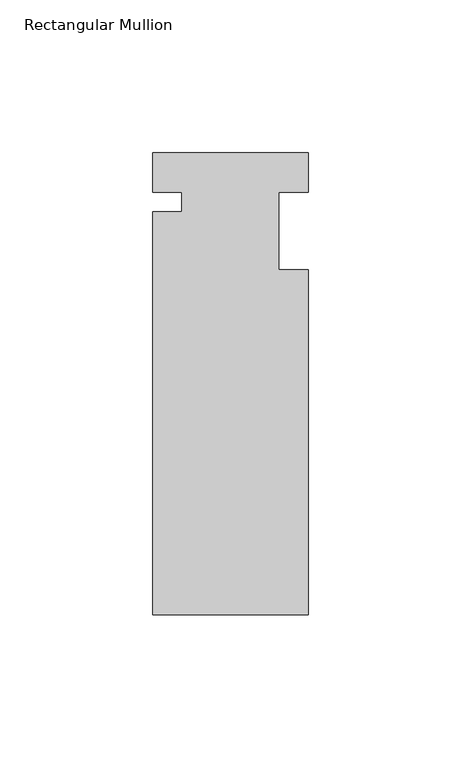
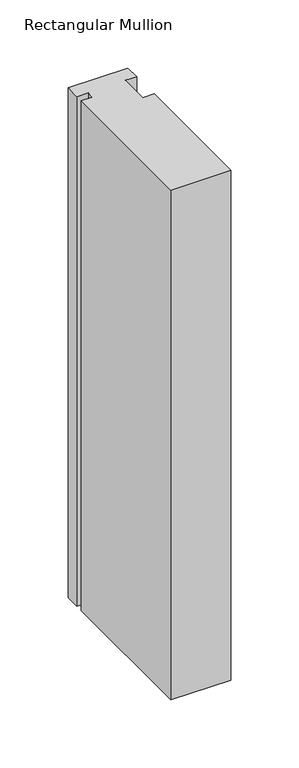
"""IFC4 building model written with IfcOpenShell, lengths in millimetres: member geometry, Rectangular Mullion."""

from ifc_helpers import new_model, si_unit, frame, origin, place, context, project, spatial, polyline, outline, extrude, source, transform, mapped, element, save


def rectangular_mullion_dee341c7(model_context):
    return source(origin(), model_context, "Body", "SweptSolid", [
        extrude(outline(polyline([(-25.4, 12.88415), (25.4, 12.88415), (25.4, 0.0), (15.875, 0.0), (15.875, -25.4), (25.4, -25.4), (25.4, -138.29665), (-25.4, -138.29665), (-25.4, -6.35), (-15.875, -6.35), (-15.875, 0.0), (-25.4, 0.0), (-25.4, 12.88415)])), frame((0.0, 0.0, -457.2), z_axis=(0.0, 0.0, 1.0), x_axis=(1.0, 0.0, 0.0)), (0.0, 0.0, 1.0), 457.2),
    ])


if __name__ == "__main__":
    model = new_model("IFC4")
    model_context = context("Model", 3, world=origin())
    ifc_project = project(units=[si_unit("LENGTHUNIT", "METRE", prefix="MILLI")], contexts=[model_context])
    site = spatial("IfcSite", under=ifc_project)
    building = spatial("IfcBuilding", under=site)
    placement = place(None, origin())
    rectangular_mullion_shape = rectangular_mullion_dee341c7(model_context)
    element("IfcMember", 1, ObjectType="Rectangular Mullion", at=placement, inside=building, context=model_context, shape_type="MappedRepresentation", body=[
        mapped(rectangular_mullion_shape, transform((0.0, 0.0, 0.0), x_axis=(1.0, 0.0, 0.0), y_axis=(0.0, 1.0, 0.0), z_axis=(0.0, 0.0, 1.0))),
    ])
    save(model, "model.ifc")
